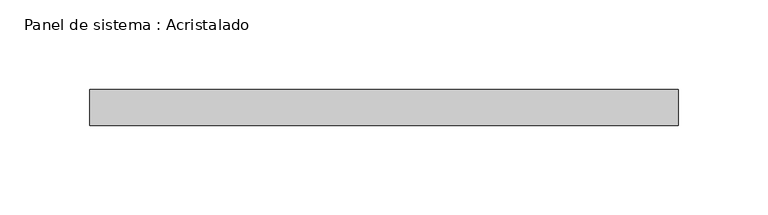
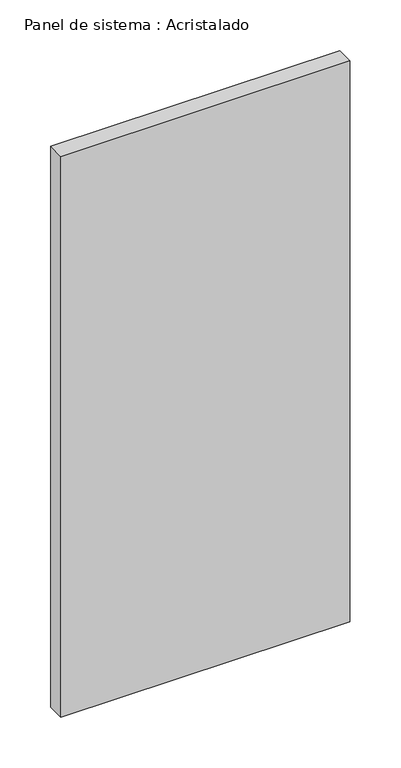
"""IFC4 building model written with IfcOpenShell, lengths in millimetres: plate geometry, Panel de sistema : Acristalado."""

from ifc_helpers import new_model, si_unit, origin, origin_with_axes, place, context, project, spatial, polyline, outline, extrude, source, transform, mapped, element, save


def panel_de_sistema_acristalado_fb0bde6a(model_context):
    return source(origin(), model_context, "Body", "SweptSolid", [
        extrude(outline(polyline([(164.1666667, -10.0), (-164.1666667, -10.0), (-164.1666667, 10.0), (164.1666667, 10.0), (164.1666667, -10.0)])), origin_with_axes(), (0.0, 0.0, 1.0), 673.7704445),
    ])


if __name__ == "__main__":
    model = new_model("IFC4")
    model_context = context("Model", 3, world=origin())
    ifc_project = project(units=[si_unit("LENGTHUNIT", "METRE", prefix="MILLI")], contexts=[model_context])
    site = spatial("IfcSite", under=ifc_project)
    building = spatial("IfcBuilding", under=site)
    placement = place(None, origin())
    panel_de_sistema_acristalado_shape = panel_de_sistema_acristalado_fb0bde6a(model_context)
    element("IfcPlate", 1, ObjectType="Panel de sistema : Acristalado", at=placement, inside=building, context=model_context, shape_type="MappedRepresentation", body=[
        mapped(panel_de_sistema_acristalado_shape, transform((0.0, 0.0, 0.0), x_axis=(1.0, 0.0, 0.0), y_axis=(0.0, 1.0, 0.0), z_axis=(0.0, 0.0, 1.0))),
    ])
    save(model, "model.ifc")
